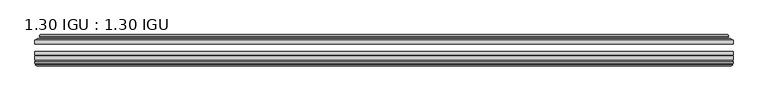
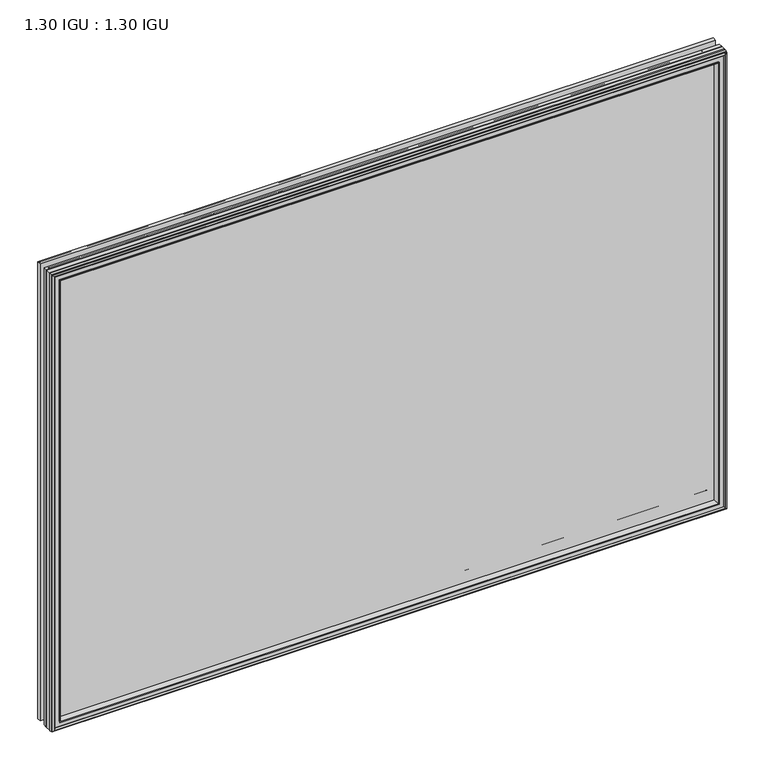
"""IFC4 building model written with IfcOpenShell, lengths in millimetres: plate geometry, 1.30 IGU : 1.30 IGU."""

from ifc_helpers import new_model, si_unit, frame, origin, place, context, project, spatial, polyline, ellipse_curve, outline, extrude, faceted_brep, source, transform, mapped, element, save
from ifc_brep_helpers import plane_surface, cylinder_surface, revolved_surface, advanced_brep


def plate_1_30_igu_1_30_igu_c87f5b80(model_context):
    return source(origin(), model_context, "Body", "SolidModel", [
        extrude(outline(polyline([(592.0705532, -44.92625), (592.0705532, -51.27625), (-592.1375, -51.27625), (-592.1375, -44.92625), (592.0705532, -44.92625)])), frame((0.0, 0.0, -14.2875), z_axis=(0.0, 0.0, 1.0), x_axis=(1.0, 0.0, 0.0)), (0.0, 0.0, 1.0), 847.725),
        extrude(outline(polyline([(-592.1375, -78.58125), (-592.1375, -72.23125), (592.0705532, -72.23125), (592.0705532, -78.58125), (-592.1375, -78.58125)])), frame((0.0, 0.0, -14.2875), z_axis=(0.0, 0.0, 1.0), x_axis=(1.0, 0.0, 0.0)), (0.0, 0.0, 1.0), 847.725),
        extrude(outline(polyline([(-592.1375, -70.32625), (-592.1375, -63.97625), (592.0705532, -63.97625), (592.0705532, -70.32625), (-592.1375, -70.32625)])), frame((0.0, 0.0, -14.2875), z_axis=(0.0, 0.0, 1.0), x_axis=(1.0, 0.0, 0.0)), (0.0, 0.0, 1.0), 847.725),
        advanced_brep(
        [(-573.8022902, -43.8351483, 815.1022902), (-574.2441004, -44.92625, 815.5441004), (-574.2441004, -44.92625, 3.6058996), (-573.8022902, -43.8351483, 4.0477098), (-577.85, -36.11245, 819.15), (-577.85, -36.11245, 0.0), (-583.0359109, -37.2935491, 824.3359109), (-583.0359109, -37.2935491, -5.1859109), (-582.7063356, -36.4664324, 824.0063356), (-582.7063356, -36.4664324, -4.8563356), (-582.7063356, -35.6521812, 824.0063356), (-582.7063356, -35.6521812, -4.8563356), (-584.5226111, -37.610817, 825.8226111), (-584.5226111, -37.610817, -6.6726111), (-584.5226111, -38.3239429, 825.8226111), (-584.5226111, -38.3239429, -6.6726111), (-582.7063356, -40.2727974, 824.0063356), (-582.7063356, -40.2727974, -4.8563356), (-582.7063356, -39.4683275, 824.0063356), (-582.7063356, -39.4683275, -4.8563356), (-583.0282501, -38.6604367, 824.3282501), (-583.0282501, -38.6604367, -5.1782501), (-580.5044379, -38.502045, 821.8044379), (-580.5044379, -38.502045, -2.6544379), (-579.4786217, -39.1897544, 820.7786217), (-579.4786217, -39.1897544, -1.6286217), (-579.5970288, -40.5842231, 820.8970288), (-579.5970288, -40.5842231, -1.7470288), (-580.1987748, -42.08145, 821.4987748), (-580.1987748, -42.08145, -2.3487748), (-588.1245553, -43.9898729, 829.4245553), (-587.6389245, -42.08145, 828.9389245), (-587.6389245, -42.08145, -9.7889245), (-588.1245553, -43.9898729, -10.2745553), (-586.4038155, -44.92625, 827.7038155), (-586.4038155, -44.92625, -8.5538155), (574.2441004, -44.92625, 3.6058996), (573.8022902, -43.8351483, 4.0477098), (577.85, -36.11245, 0.0), (583.0359109, -37.2935491, -5.1859109), (582.7063356, -36.4664324, -4.8563356), (582.7063356, -35.6521812, -4.8563356), (584.5226111, -37.610817, -6.6726111), (584.5226111, -38.3239429, -6.6726111), (582.7063356, -40.2727974, -4.8563356), (582.7063356, -39.4683275, -4.8563356), (583.0282501, -38.6604367, -5.1782501), (580.5044379, -38.502045, -2.6544379), (579.4786217, -39.1897544, -1.6286217), (579.5970288, -40.5842231, -1.7470288), (580.1987748, -42.08145, -2.3487748), (587.6389245, -42.08145, -9.7889245), (588.1245553, -43.9898729, -10.2745553), (586.4038155, -44.92625, -8.5538155), (574.2441004, -44.92625, 815.5441004), (573.8022902, -43.8351483, 815.1022902), (577.85, -36.11245, 819.15), (583.0359109, -37.2935491, 824.3359109), (582.7063356, -36.4664324, 824.0063356), (582.7063356, -35.6521812, 824.0063356), (584.5226111, -37.610817, 825.8226111), (584.5226111, -38.3239429, 825.8226111), (582.7063356, -40.2727974, 824.0063356), (582.7063356, -39.4683275, 824.0063356), (583.0282501, -38.6604367, 824.3282501), (580.5044379, -38.502045, 821.8044379), (579.4786217, -39.1897544, 820.7786217), (579.5970288, -40.5842231, 820.8970288), (580.1987748, -42.08145, 821.4987748), (587.6389245, -42.08145, 828.9389245), (588.1245553, -43.9898729, 829.4245553), (586.4038155, -44.92625, 827.7038155)],
        [
            (0, 1, ellipse_curve(frame((-574.2441004, -44.29125, 815.5441004), z_axis=(-0.7071067811865475, 0.0, -0.7071067811865475), x_axis=(-0.7071067811865474, 0.0, 0.7071067811865476)), 0.8980256, 0.635)),
            (1, 2),
            (2, 3, ellipse_curve(frame((-574.2441004, -44.29125, 3.6058996), z_axis=(-0.7071067811865475, 0.0, 0.7071067811865475), x_axis=(0.7071067811865474, 0.0, 0.7071067811865476)), 0.8980256, 0.635)),
            (3, 0),
            (4, 0, ellipse_curve(frame((-564.1172054, -33.8367745, 805.4172054), z_axis=(0.7071067811865475, 0.0, 0.7071067811865475), x_axis=(0.7071067811865474, 0.0, -0.7071067811865476)), 19.6859517, 13.9200699)),
            (3, 5, ellipse_curve(frame((-564.1172054, -33.8367745, 13.7327946), z_axis=(0.7071067811865475, 0.0, -0.7071067811865475), x_axis=(-0.7071067811865474, 0.0, -0.7071067811865476)), 19.6859517, 13.9200699)),
            (5, 4),
            (6, 4),
            (5, 7),
            (7, 6),
            (8, 6),
            (7, 9),
            (9, 8),
            (10, 8),
            (9, 11),
            (11, 10),
            (12, 10),
            (11, 13),
            (13, 12),
            (14, 12, ellipse_curve(frame((-584.1607729, -37.96738, 825.4607729), z_axis=(-0.7071067811865475, 0.0, -0.7071067811865475), x_axis=(-0.7071067811865474, 0.0, 0.7071067811865476)), 0.7184205, 0.508)),
            (13, 15, ellipse_curve(frame((-584.1607729, -37.96738, -6.3107729), z_axis=(-0.7071067811865475, 0.0, 0.7071067811865475), x_axis=(0.7071067811865474, 0.0, 0.7071067811865476)), 0.7184205, 0.508)),
            (15, 14),
            (16, 14),
            (15, 17),
            (17, 16),
            (18, 16),
            (17, 19),
            (19, 18),
            (20, 18),
            (19, 21),
            (21, 20),
            (22, 20),
            (21, 23),
            (23, 22),
            (24, 22, ellipse_curve(frame((-580.4408, -39.51605, 821.7408), z_axis=(0.7071067811865475, 0.0, 0.7071067811865475), x_axis=(0.7071067811865474, 0.0, -0.7071067811865476)), 1.436841, 1.016)),
            (23, 25, ellipse_curve(frame((-580.4408, -39.51605, -2.5908), z_axis=(0.7071067811865475, 0.0, -0.7071067811865475), x_axis=(-0.7071067811865474, 0.0, -0.7071067811865476)), 1.436841, 1.016)),
            (25, 24),
            (26, 24, ellipse_curve(frame((-581.8124, -39.69385, 823.1124), z_axis=(0.7071067811865475, 0.0, 0.7071067811865475), x_axis=(0.7071067811865474, 0.0, -0.7071067811865476)), 3.3765763, 2.3876)),
            (25, 27, ellipse_curve(frame((-581.8124, -39.69385, -3.9624), z_axis=(0.7071067811865475, 0.0, -0.7071067811865475), x_axis=(-0.7071067811865474, 0.0, -0.7071067811865476)), 3.3765763, 2.3876)),
            (27, 26),
            (28, 26),
            (27, 29),
            (29, 28),
            (30, 31, ellipse_curve(frame((-587.6389245, -43.09745, 828.9389245), z_axis=(-0.7071067811865475, 0.0, -0.7071067811865475), x_axis=(-0.7071067811865474, 0.0, 0.7071067811865476)), 1.436841, 1.016)),
            (31, 32),
            (32, 33, ellipse_curve(frame((-587.6389245, -43.09745, -9.7889245), z_axis=(-0.7071067811865475, 0.0, 0.7071067811865475), x_axis=(0.7071067811865474, 0.0, 0.7071067811865476)), 1.436841, 1.016)),
            (33, 30),
            (34, 30),
            (33, 35),
            (35, 34),
            (2, 36),
            (36, 37, ellipse_curve(frame((574.2441004, -44.29125, 3.6058996), z_axis=(-0.7071067811865475, 0.0, -0.7071067811865475), x_axis=(-0.7071067811865476, 0.0, 0.7071067811865474)), 0.8980256, 0.635)),
            (37, 3),
            (37, 38, ellipse_curve(frame((564.1172054, -33.8367745, 13.7327946), z_axis=(0.7071067811865475, 0.0, 0.7071067811865475), x_axis=(0.7071067811865476, 0.0, -0.7071067811865474)), 19.6859517, 13.9200699)),
            (38, 5),
            (38, 39),
            (39, 7),
            (39, 40),
            (40, 9),
            (40, 41),
            (41, 11),
            (41, 42),
            (42, 13),
            (42, 43, ellipse_curve(frame((584.1607729, -37.96738, -6.3107729), z_axis=(-0.7071067811865475, 0.0, -0.7071067811865475), x_axis=(-0.7071067811865476, 0.0, 0.7071067811865474)), 0.7184205, 0.508)),
            (43, 15),
            (43, 44),
            (44, 17),
            (44, 45),
            (45, 19),
            (45, 46),
            (46, 21),
            (46, 47),
            (47, 23),
            (47, 48, ellipse_curve(frame((580.4408, -39.51605, -2.5908), z_axis=(0.7071067811865475, 0.0, 0.7071067811865475), x_axis=(0.7071067811865476, 0.0, -0.7071067811865474)), 1.436841, 1.016)),
            (48, 25),
            (48, 49, ellipse_curve(frame((581.8124, -39.69385, -3.9624), z_axis=(0.7071067811865475, 0.0, 0.7071067811865475), x_axis=(0.7071067811865476, 0.0, -0.7071067811865474)), 3.3765763, 2.3876)),
            (49, 27),
            (49, 50),
            (50, 29),
            (32, 51),
            (51, 52, ellipse_curve(frame((587.6389245, -43.09745, -9.7889245), z_axis=(-0.7071067811865475, 0.0, -0.7071067811865475), x_axis=(-0.7071067811865476, 0.0, 0.7071067811865474)), 1.436841, 1.016)),
            (52, 33),
            (52, 53),
            (53, 35),
            (36, 54),
            (54, 55, ellipse_curve(frame((574.2441004, -44.29125, 815.5441004), z_axis=(0.7071067811865475, 0.0, -0.7071067811865475), x_axis=(-0.7071067811865474, 0.0, -0.7071067811865476)), 0.8980256, 0.635)),
            (55, 37),
            (55, 56, ellipse_curve(frame((564.1172054, -33.8367745, 805.4172054), z_axis=(-0.7071067811865475, 0.0, 0.7071067811865475), x_axis=(0.7071067811865474, 0.0, 0.7071067811865476)), 19.6859517, 13.9200699)),
            (56, 38),
            (56, 57),
            (57, 39),
            (57, 58),
            (58, 40),
            (58, 59),
            (59, 41),
            (59, 60),
            (60, 42),
            (60, 61, ellipse_curve(frame((584.1607729, -37.96738, 825.4607729), z_axis=(0.7071067811865475, 0.0, -0.7071067811865475), x_axis=(-0.7071067811865474, 0.0, -0.7071067811865476)), 0.7184205, 0.508)),
            (61, 43),
            (61, 62),
            (62, 44),
            (62, 63),
            (63, 45),
            (63, 64),
            (64, 46),
            (64, 65),
            (65, 47),
            (65, 66, ellipse_curve(frame((580.4408, -39.51605, 821.7408), z_axis=(-0.7071067811865475, 0.0, 0.7071067811865475), x_axis=(0.7071067811865474, 0.0, 0.7071067811865476)), 1.436841, 1.016)),
            (66, 48),
            (66, 67, ellipse_curve(frame((581.8124, -39.69385, 823.1124), z_axis=(-0.7071067811865475, 0.0, 0.7071067811865475), x_axis=(0.7071067811865474, 0.0, 0.7071067811865476)), 3.3765763, 2.3876)),
            (67, 49),
            (67, 68),
            (68, 50),
            (51, 69),
            (69, 70, ellipse_curve(frame((587.6389245, -43.09745, 828.9389245), z_axis=(0.7071067811865475, 0.0, -0.7071067811865475), x_axis=(-0.7071067811865474, 0.0, -0.7071067811865476)), 1.436841, 1.016)),
            (70, 52),
            (70, 71),
            (71, 53),
            (54, 1),
            (0, 55),
            (4, 56),
            (6, 57),
            (8, 58),
            (10, 59),
            (12, 60),
            (14, 61),
            (16, 62),
            (18, 63),
            (20, 64),
            (22, 65),
            (24, 66),
            (26, 67),
            (28, 68),
            (31, 69),
            (30, 70),
            (34, 71),
        ],
        [
            cylinder_surface(frame((-574.2441004, -44.29125, 850.9), z_axis=(0.0, 0.0, 1.0), x_axis=(-1.0, 0.0, 0.0)), 0.635),
            revolved_surface(polyline([(-578.0372753, -33.8367745, -0.18727534118079348), (-578.0372753, -33.8367745, 819.3372753411808)]), (-564.1172054, -33.8367745, 850.9), (0.0, 0.0, -1.0)),
            plane_surface(frame((-577.85, -36.11245, 819.15), z_axis=(-0.2220649844277866, 0.975031867525922, 0.0), x_axis=(0.0, 0.0, -1.0))),
            plane_surface(frame((-583.0359109, -37.2935491, 824.3359109), z_axis=(0.9289682685629922, -0.3701593656833182, 0.0), x_axis=(0.0, 0.0, -1.0))),
            plane_surface(frame((-582.7063356, -36.4664324, 824.0063356), z_axis=(1.0, 0.0, 0.0), x_axis=(0.0, 0.0, -1.0))),
            plane_surface(frame((-582.7063356, -35.6521812, 824.0063356), z_axis=(-0.7332521292723956, 0.6799568478348447, 0.0), x_axis=(0.0, 0.0, -1.0))),
            cylinder_surface(frame((-584.1607729, -37.96738, 850.9), z_axis=(0.0, 0.0, 1.0), x_axis=(-1.0, 0.0, 0.0)), 0.508),
            plane_surface(frame((-584.5226111, -38.3239429, 825.8226111), z_axis=(-0.7315522693036389, -0.6817853601220082, 0.0), x_axis=(0.0, 0.0, -1.0))),
            plane_surface(frame((-582.7063356, -40.2727974, 824.0063356), z_axis=(1.0, 0.0, 0.0), x_axis=(0.0, 0.0, -1.0))),
            plane_surface(frame((-582.7063356, -39.4683275, 824.0063356), z_axis=(0.9289682685631103, 0.37015936568302166, 0.0), x_axis=(0.0, 0.0, -1.0))),
            plane_surface(frame((-583.0282501, -38.6604367, 824.3282501), z_axis=(0.06263570119321646, -0.9980364567169048, 0.0), x_axis=(0.0, 0.0, -1.0))),
            revolved_surface(polyline([(-581.4567999999999, -39.51605, -3.606800014586838), (-581.4567999999999, -39.51605, 822.7568000145869)]), (-580.4408, -39.51605, 850.9), (0.0, 0.0, -1.0)),
            revolved_surface(polyline([(-584.2, -39.69385, -6.3499999989237494), (-584.2, -39.69385, 825.4999999989237)]), (-581.8124, -39.69385, 850.9), (0.0, 0.0, -1.0)),
            plane_surface(frame((-579.5970288, -40.5842231, 820.8970288), z_axis=(-0.9278652925428912, 0.372915538553028, 0.0), x_axis=(0.0, 0.0, -1.0))),
            cylinder_surface(frame((-587.6389245, -43.09745, 850.9), z_axis=(0.0, 0.0, 1.0), x_axis=(-1.0, 0.0, 0.0)), 1.016),
            plane_surface(frame((-588.1245553, -43.9898729, 829.4245553), z_axis=(-0.477983117370979, -0.8783690223979447, 0.0), x_axis=(0.0, 0.0, -1.0))),
            cylinder_surface(frame((-609.6, -44.29125, 3.6058996), z_axis=(-1.0, 0.0, 0.0), x_axis=(0.0, 0.0, -1.0)), 0.635),
            revolved_surface(polyline([(578.0372753411808, -33.8367745, -0.1872752999999996), (-578.0372753411808, -33.8367745, -0.1872752999999996)]), (-609.6, -33.8367745, 13.7327946), (1.0, 0.0, 0.0)),
            plane_surface(frame((-577.85, -36.11245, 0.0), z_axis=(0.0, 0.9750318675259213, -0.22206498442778974), x_axis=(1.0, 0.0, 0.0))),
            plane_surface(frame((-583.0359109, -37.2935491, -5.1859109), z_axis=(0.0, -0.3701593656833152, 0.9289682685629934), x_axis=(1.0, 0.0, 0.0))),
            plane_surface(frame((-582.7063356, -36.4664324, -4.8563356), z_axis=(0.0, 0.0, 1.0), x_axis=(1.0, 0.0, 0.0))),
            plane_surface(frame((-582.7063356, -35.6521812, -4.8563356), z_axis=(0.0, 0.6799568478348423, -0.7332521292723978), x_axis=(1.0, 0.0, 0.0))),
            cylinder_surface(frame((-609.6, -37.96738, -6.3107729), z_axis=(-1.0, 0.0, 0.0), x_axis=(0.0, 0.0, -1.0)), 0.508),
            plane_surface(frame((-584.5226111, -38.3239429, -6.6726111), z_axis=(0.0, -0.6817853601220105, -0.7315522693036367), x_axis=(1.0, 0.0, 0.0))),
            plane_surface(frame((-582.7063356, -40.2727974, -4.8563356), z_axis=(0.0, 0.0, 1.0), x_axis=(1.0, 0.0, 0.0))),
            plane_surface(frame((-582.7063356, -39.4683275, -4.8563356), z_axis=(0.0, 0.37015936568302465, 0.9289682685631091), x_axis=(1.0, 0.0, 0.0))),
            plane_surface(frame((-583.0282501, -38.6604367, -5.1782501), z_axis=(0.0, -0.9980364567169046, 0.06263570119321968), x_axis=(1.0, 0.0, 0.0))),
            revolved_surface(polyline([(581.4568000145867, -39.51605, -3.6068000000000002), (-581.4568000145869, -39.51605, -3.6068000000000002)]), (-609.6, -39.51605, -2.5908), (1.0, 0.0, 0.0)),
            revolved_surface(polyline([(584.199999998924, -39.69385, -6.35), (-584.1999999989238, -39.69385, -6.35)]), (-609.6, -39.69385, -3.9624), (1.0, 0.0, 0.0)),
            plane_surface(frame((-579.5970288, -40.5842231, -1.7470288), z_axis=(0.0, 0.372915538553025, -0.9278652925428924), x_axis=(1.0, 0.0, 0.0))),
            cylinder_surface(frame((-609.6, -43.09745, -9.7889245), z_axis=(-1.0, 0.0, 0.0), x_axis=(0.0, 0.0, -1.0)), 1.016),
            plane_surface(frame((-588.1245553, -43.9898729, -10.2745553), z_axis=(0.0, -0.8783690223979462, -0.47798311737097615), x_axis=(1.0, 0.0, 0.0))),
            cylinder_surface(frame((574.2441004, -44.29125, -31.75), z_axis=(0.0, 0.0, -1.0), x_axis=(1.0, 0.0, 0.0)), 0.635),
            revolved_surface(polyline([(578.0372753, -33.8367745, 819.3372753411808), (578.0372753, -33.8367745, -0.1872753411808432)]), (564.1172054, -33.8367745, -31.75), (0.0, 0.0, 1.0)),
            plane_surface(frame((577.85, -36.11245, 0.0), z_axis=(0.22206498442779285, 0.9750318675259205, 0.0), x_axis=(0.0, 0.0, 1.0))),
            plane_surface(frame((583.0359109, -37.2935491, -5.1859109), z_axis=(-0.9289682685629946, -0.3701593656833122, 0.0), x_axis=(0.0, 0.0, 1.0))),
            plane_surface(frame((582.7063356, -36.4664324, -4.8563356), z_axis=(-1.0, 0.0, 0.0), x_axis=(0.0, 0.0, 1.0))),
            plane_surface(frame((582.7063356, -35.6521812, -4.8563356), z_axis=(0.7332521292724, 0.67995684783484, 0.0), x_axis=(0.0, 0.0, 1.0))),
            cylinder_surface(frame((584.1607729, -37.96738, -31.75), z_axis=(0.0, 0.0, -1.0), x_axis=(1.0, 0.0, 0.0)), 0.508),
            plane_surface(frame((584.5226111, -38.3239429, -6.6726111), z_axis=(0.7315522693036345, -0.6817853601220129, 0.0), x_axis=(0.0, 0.0, 1.0))),
            plane_surface(frame((582.7063356, -40.2727974, -4.8563356), z_axis=(-1.0, 0.0, 0.0), x_axis=(0.0, 0.0, 1.0))),
            plane_surface(frame((582.7063356, -39.4683275, -4.8563356), z_axis=(-0.928968268563108, 0.3701593656830277, 0.0), x_axis=(0.0, 0.0, 1.0))),
            plane_surface(frame((583.0282501, -38.6604367, -5.1782501), z_axis=(-0.0626357011932229, -0.9980364567169043, 0.0), x_axis=(0.0, 0.0, 1.0))),
            revolved_surface(polyline([(581.4567999999999, -39.51605, 822.7568000145869), (581.4567999999999, -39.51605, -3.606800014586863)]), (580.4408, -39.51605, -31.75), (0.0, 0.0, 1.0)),
            revolved_surface(polyline([(584.2, -39.69385, 825.4999999989237), (584.2, -39.69385, -6.349999998923781)]), (581.8124, -39.69385, -31.75), (0.0, 0.0, 1.0)),
            plane_surface(frame((579.5970288, -40.5842231, -1.7470288), z_axis=(0.9278652925428936, 0.372915538553022, 0.0), x_axis=(0.0, 0.0, 1.0))),
            cylinder_surface(frame((587.6389245, -43.09745, -31.75), z_axis=(0.0, 0.0, -1.0), x_axis=(1.0, 0.0, 0.0)), 1.016),
            plane_surface(frame((588.1245553, -43.9898729, -10.2745553), z_axis=(0.4779831173709733, -0.8783690223979478, 0.0), x_axis=(0.0, 0.0, 1.0))),
            cylinder_surface(frame((609.6, -44.29125, 815.5441004), z_axis=(1.0, 0.0, 0.0), x_axis=(0.0, 0.0, 1.0)), 0.635),
            revolved_surface(polyline([(-578.0372753411808, -33.8367745, 819.3372753), (578.0372753411808, -33.8367745, 819.3372753)]), (609.6, -33.8367745, 805.4172054), (-1.0, 0.0, 0.0)),
            plane_surface(frame((577.85, -36.11245, 819.15), z_axis=(0.0, 0.9750318675259212, 0.2220649844277897), x_axis=(-1.0, 0.0, 0.0))),
            plane_surface(frame((583.0359109, -37.2935491, 824.3359109), z_axis=(0.0, -0.3701593656833152, -0.9289682685629934), x_axis=(-1.0, 0.0, 0.0))),
            plane_surface(frame((582.7063356, -36.4664324, 824.0063356), z_axis=(0.0, 0.0, -1.0), x_axis=(-1.0, 0.0, 0.0))),
            plane_surface(frame((582.7063356, -35.6521812, 824.0063356), z_axis=(0.0, 0.6799568478348423, 0.7332521292723978), x_axis=(-1.0, 0.0, 0.0))),
            cylinder_surface(frame((609.6, -37.96738, 825.4607729), z_axis=(1.0, 0.0, 0.0), x_axis=(0.0, 0.0, 1.0)), 0.508),
            plane_surface(frame((584.5226111, -38.3239429, 825.8226111), z_axis=(0.0, -0.6817853601220105, 0.7315522693036367), x_axis=(-1.0, 0.0, 0.0))),
            plane_surface(frame((582.7063356, -40.2727974, 824.0063356), z_axis=(0.0, 0.0, -1.0), x_axis=(-1.0, 0.0, 0.0))),
            plane_surface(frame((582.7063356, -39.4683275, 824.0063356), z_axis=(0.0, 0.3701593656830247, -0.9289682685631092), x_axis=(-1.0, 0.0, 0.0))),
            plane_surface(frame((583.0282501, -38.6604367, 824.3282501), z_axis=(0.0, -0.9980364567169046, -0.06263570119321968), x_axis=(-1.0, 0.0, 0.0))),
            revolved_surface(polyline([(-581.4568000145867, -39.51605, 822.7568), (581.4568000145869, -39.51605, 822.7568)]), (609.6, -39.51605, 821.7408), (-1.0, 0.0, 0.0)),
            revolved_surface(polyline([(-584.199999998924, -39.69385, 825.5), (584.1999999989238, -39.69385, 825.5)]), (609.6, -39.69385, 823.1124), (-1.0, 0.0, 0.0)),
            plane_surface(frame((579.5970288, -40.5842231, 820.8970288), z_axis=(0.0, 0.372915538553025, 0.9278652925428924), x_axis=(-1.0, 0.0, 0.0))),
            plane_surface(frame((580.1987748, -42.08145, 821.4987748), z_axis=(0.0, 1.0, 0.0), x_axis=(-1.0, 0.0, 0.0))),
            cylinder_surface(frame((609.6, -43.09745, 828.9389245), z_axis=(1.0, 0.0, 0.0), x_axis=(0.0, 0.0, 1.0)), 1.016),
            plane_surface(frame((588.1245553, -43.9898729, 829.4245553), z_axis=(0.0, -0.8783690223979462, 0.47798311737097615), x_axis=(-1.0, 0.0, 0.0))),
            plane_surface(frame((586.4038155, -44.92625, 827.7038155), z_axis=(0.0, -1.0, 0.0), x_axis=(-1.0, 0.0, 0.0))),
        ],
        [
            (0, [[1, 2, 3, 4]]),
            (1, [[5, -4, 6, 7]]),
            (2, [[8, -7, 9, 10]]),
            (3, [[11, -10, 12, 13]]),
            (4, [[14, -13, 15, 16]]),
            (5, [[17, -16, 18, 19]]),
            (6, [[20, -19, 21, 22]]),
            (7, [[23, -22, 24, 25]]),
            (8, [[26, -25, 27, 28]]),
            (9, [[29, -28, 30, 31]]),
            (10, [[32, -31, 33, 34]]),
            (11, [[35, -34, 36, 37]]),
            (12, [[38, -37, 39, 40]]),
            (13, [[41, -40, 42, 43]]),
            (14, [[44, 45, 46, 47]]),
            (15, [[48, -47, 49, 50]]),
            (16, [[-3, 51, 52, 53]]),
            (17, [[-6, -53, 54, 55]]),
            (18, [[-9, -55, 56, 57]]),
            (19, [[-12, -57, 58, 59]]),
            (20, [[-15, -59, 60, 61]]),
            (21, [[-18, -61, 62, 63]]),
            (22, [[-21, -63, 64, 65]]),
            (23, [[-24, -65, 66, 67]]),
            (24, [[-27, -67, 68, 69]]),
            (25, [[-30, -69, 70, 71]]),
            (26, [[-33, -71, 72, 73]]),
            (27, [[-36, -73, 74, 75]]),
            (28, [[-39, -75, 76, 77]]),
            (29, [[-42, -77, 78, 79]]),
            (30, [[-46, 80, 81, 82]]),
            (31, [[-49, -82, 83, 84]]),
            (32, [[-52, 85, 86, 87]]),
            (33, [[-54, -87, 88, 89]]),
            (34, [[-56, -89, 90, 91]]),
            (35, [[-58, -91, 92, 93]]),
            (36, [[-60, -93, 94, 95]]),
            (37, [[-62, -95, 96, 97]]),
            (38, [[-64, -97, 98, 99]]),
            (39, [[-66, -99, 100, 101]]),
            (40, [[-68, -101, 102, 103]]),
            (41, [[-70, -103, 104, 105]]),
            (42, [[-72, -105, 106, 107]]),
            (43, [[-74, -107, 108, 109]]),
            (44, [[-76, -109, 110, 111]]),
            (45, [[-78, -111, 112, 113]]),
            (46, [[-81, 114, 115, 116]]),
            (47, [[-83, -116, 117, 118]]),
            (48, [[-86, 119, -1, 120]]),
            (49, [[-88, -120, -5, 121]]),
            (50, [[-90, -121, -8, 122]]),
            (51, [[-92, -122, -11, 123]]),
            (52, [[-94, -123, -14, 124]]),
            (53, [[-96, -124, -17, 125]]),
            (54, [[-98, -125, -20, 126]]),
            (55, [[-100, -126, -23, 127]]),
            (56, [[-102, -127, -26, 128]]),
            (57, [[-104, -128, -29, 129]]),
            (58, [[-106, -129, -32, 130]]),
            (59, [[-108, -130, -35, 131]]),
            (60, [[-110, -131, -38, 132]]),
            (61, [[-112, -132, -41, 133]]),
            (62, [[134, -114, -80, -45], [-79, -113, -133, -43]]),
            (63, [[-115, -134, -44, 135]]),
            (64, [[-117, -135, -48, 136]]),
            (65, [[-84, -118, -136, -50], [-119, -85, -51, -2]]),
        ],
    ),
        faceted_brep([(-573.9957827, -78.58125, 815.2957827), (-576.5620798, -87.47125, 817.8620798), (-576.5620798, -87.47125, 1.2879202), (-573.9957827, -78.58125, 3.8542173), (-592.1502, -80.7883102, 833.4502), (-589.9431398, -78.58125, 831.2431398), (-589.9431398, -78.58125, -12.0931398), (-592.1502, -80.7883102, -14.3002), (-592.1502, -84.93125, 833.4502), (-592.1502, -84.93125, -14.3002), (-589.7311775, -86.11489, 831.0311775), (-590.5703682, -84.93125, 831.8703682), (-590.5703682, -84.93125, -12.7203682), (-589.7311775, -86.11489, -11.8811775), (-589.534, -87.4125884, 830.834), (-589.534, -87.4125884, -11.684), (-590.50966, -86.8828917, 831.80966), (-590.50966, -86.8828917, -12.65966), (-588.9752, -88.6999663, 830.2752), (-591.3023305, -86.8828917, 832.6023305), (-591.3023305, -86.8828917, -13.4523305), (-588.9752, -88.6999663, -11.1252), (-586.6480695, -86.8828917, 827.9480695), (-586.6480695, -86.8828917, -8.7980695), (-588.4164, -87.4125884, 829.7164), (-587.44074, -86.8828917, 828.74074), (-587.44074, -86.8828917, -9.59074), (-588.4164, -87.4125884, -10.5664), (-588.2192225, -86.11489, 829.5192225), (-588.2192225, -86.11489, -10.3692225), (-587.3496, -84.93125, 828.6496), (-587.3496, -84.93125, -9.4996), (-578.2013667, -87.47125, 819.5013667), (-577.6722, -84.93125, 818.9722), (-577.6722, -84.93125, 0.1778), (-578.2013667, -87.47125, -0.3513667), (576.5620798, -87.47125, 1.2879202), (573.9957827, -78.58125, 3.8542173), (589.9431398, -78.58125, -12.0931398), (592.1502, -80.7883102, -14.3002), (592.1502, -84.93125, -14.3002), (590.5703682, -84.93125, -12.7203682), (589.7311775, -86.11489, -11.8811775), (589.534, -87.4125884, -11.684), (590.50966, -86.8828917, -12.65966), (591.3023305, -86.8828917, -13.4523305), (588.9752, -88.6999663, -11.1252), (586.6480695, -86.8828917, -8.7980695), (587.44074, -86.8828917, -9.59074), (588.4164, -87.4125884, -10.5664), (588.2192225, -86.11489, -10.3692225), (587.3496, -84.93125, -9.4996), (577.6722, -84.93125, 0.1778), (578.2013667, -87.47125, -0.3513667), (576.5620798, -87.47125, 817.8620798), (573.9957827, -78.58125, 815.2957827), (589.9431398, -78.58125, 831.2431398), (592.1502, -80.7883102, 833.4502), (592.1502, -84.93125, 833.4502), (590.5703682, -84.93125, 831.8703682), (589.7311775, -86.11489, 831.0311775), (589.534, -87.4125884, 830.834), (590.50966, -86.8828917, 831.80966), (591.3023305, -86.8828917, 832.6023305), (588.9752, -88.6999663, 830.2752), (586.6480695, -86.8828917, 827.9480695), (587.44074, -86.8828917, 828.74074), (588.4164, -87.4125884, 829.7164), (588.2192225, -86.11489, 829.5192225), (587.3496, -84.93125, 828.6496), (577.6722, -84.93125, 818.9722), (578.2013667, -87.47125, 819.5013667)], [[[0, 1, 2, 3]], [[4, 5, 6, 7]], [[8, 4, 7, 9]], [[10, 11, 12, 13]], [[14, 10, 13, 15]], [[16, 14, 15, 17]], [[18, 19, 20, 21]], [[22, 18, 21, 23]], [[24, 25, 26, 27]], [[28, 24, 27, 29]], [[30, 28, 29, 31]], [[32, 33, 34, 35]], [[3, 2, 36, 37]], [[7, 6, 38, 39]], [[9, 7, 39, 40]], [[13, 12, 41, 42]], [[15, 13, 42, 43]], [[17, 15, 43, 44]], [[21, 20, 45, 46]], [[23, 21, 46, 47]], [[27, 26, 48, 49]], [[29, 27, 49, 50]], [[31, 29, 50, 51]], [[35, 34, 52, 53]], [[37, 36, 54, 55]], [[39, 38, 56, 57]], [[40, 39, 57, 58]], [[42, 41, 59, 60]], [[43, 42, 60, 61]], [[44, 43, 61, 62]], [[46, 45, 63, 64]], [[47, 46, 64, 65]], [[49, 48, 66, 67]], [[50, 49, 67, 68]], [[51, 50, 68, 69]], [[53, 52, 70, 71]], [[55, 54, 1, 0]], [[5, 56, 38, 6], [3, 37, 55, 0]], [[57, 56, 5, 4]], [[58, 57, 4, 8]], [[9, 40, 58, 8], [11, 59, 41, 12]], [[60, 59, 11, 10]], [[61, 60, 10, 14]], [[62, 61, 14, 16]], [[19, 63, 45, 20], [17, 44, 62, 16]], [[64, 63, 19, 18]], [[65, 64, 18, 22]], [[25, 66, 48, 26], [23, 47, 65, 22]], [[67, 66, 25, 24]], [[68, 67, 24, 28]], [[69, 68, 28, 30]], [[31, 51, 69, 30], [33, 70, 52, 34]], [[71, 70, 33, 32]], [[35, 53, 71, 32], [1, 54, 36, 2]]]),
    ])


if __name__ == "__main__":
    model = new_model("IFC4")
    model_context = context("Model", 3, world=origin())
    ifc_project = project(units=[si_unit("LENGTHUNIT", "METRE", prefix="MILLI")], contexts=[model_context])
    site = spatial("IfcSite", under=ifc_project)
    building = spatial("IfcBuilding", under=site)
    placement = place(None, origin())
    plate_1_30_igu_1_30_igu_shape = plate_1_30_igu_1_30_igu_c87f5b80(model_context)
    element("IfcPlate", 1, ObjectType="1.30 IGU : 1.30 IGU", at=placement, inside=building, context=model_context, shape_type="MappedRepresentation", body=[
        mapped(plate_1_30_igu_1_30_igu_shape, transform((0.0, 0.0, 0.0), x_axis=(1.0, 0.0, 0.0), y_axis=(0.0, 1.0, 0.0), z_axis=(0.0, 0.0, 1.0))),
    ])
    save(model, "model.ifc")
